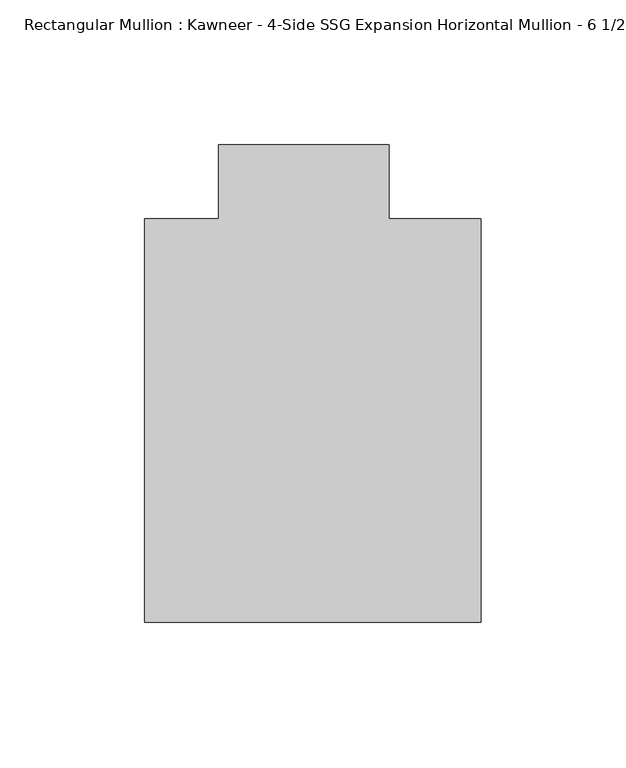
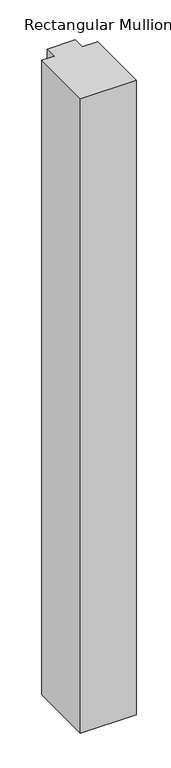
"""IFC4 building model written with IfcOpenShell, lengths in millimetres: member geometry."""

from ifc_helpers import new_model, si_unit, frame, origin, place, context, project, spatial, polyline, outline, extrude, source, transform, mapped, element, save


def member_07deeed4(model_context):
    return source(origin(), model_context, "Body", "SweptSolid", [
        extrude(outline(polyline([(-62.2957636, -151.892), (-62.2957636, -12.7), (-36.8958768, -12.7), (-36.8958768, 12.7), (21.8651592, 12.7), (21.8651592, -12.7), (53.615046, -12.7), (53.615046, -151.892), (-62.2957636, -151.892)])), frame((0.0, 0.0, -1398.883135), z_axis=(0.0, 0.0, 1.0), x_axis=(1.0, 0.0, 0.0)), (0.0, 0.0, 1.0), 1398.883135),
    ])


if __name__ == "__main__":
    model = new_model("IFC4")
    model_context = context("Model", 3, world=origin())
    ifc_project = project(units=[si_unit("LENGTHUNIT", "METRE", prefix="MILLI")], contexts=[model_context])
    site = spatial("IfcSite", under=ifc_project)
    building = spatial("IfcBuilding", under=site)
    placement = place(None, origin())
    member_shape = member_07deeed4(model_context)
    element("IfcMember", 1, ObjectType="Rectangular Mullion : Kawneer - 4-Side SSG Expansion Horizontal Mullion - 6 1/2\"", at=placement, inside=building, context=model_context, shape_type="MappedRepresentation", body=[
        mapped(member_shape, transform((0.0, 0.0, 0.0), x_axis=(1.0, 0.0, 0.0), y_axis=(0.0, 1.0, 0.0), z_axis=(0.0, 0.0, 1.0))),
    ])
    save(model, "model.ifc")
